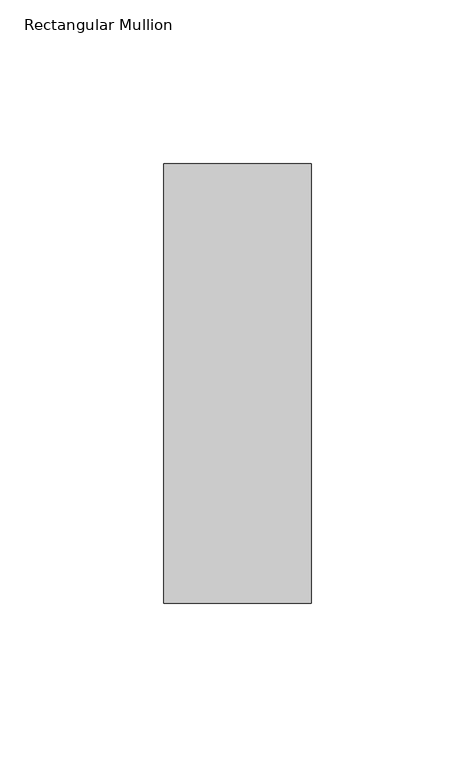
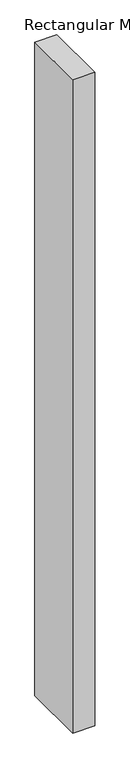
"""IFC4 building model written with IfcOpenShell, lengths in millimetres: member geometry, Rectangular Mullion."""

import ifcopenshell
import ifcopenshell.guid

model = None  # the IFC model being written
_history = None  # IfcOwnerHistory: only IFC2X3 demands one
_inside = {}  # id of a spatial element -> (the spatial element, [elements in it])
_under = {}  # id of a project, library or spatial element -> (it, [spatial elements below it])
_declared = {}  # id of a project -> (the project, [libraries it declares])
_typed = {}  # id of a type object -> (the type object, [elements of that type])
_made_of = {}  # id of a material, layer set ... -> (it, [elements and type objects made of it])


def new_model(schema):
    """Start an empty IFC model of exactly this schema.

    Asked for "IFC4X3", IfcOpenShell would pick the latest addendum, in which some entities
    have other attributes; the version numbers below select the first issue.
    IFC2X3 requires an IfcOwnerHistory on every rooted entity: one is made here for all.
    """
    global model, _history
    if schema == "IFC4X3":
        model = ifcopenshell.file(schema_version=(4, 3, 0, 0))
    else:
        model = ifcopenshell.file(schema=schema)
    _inside.clear()
    _under.clear()
    _declared.clear()
    _typed.clear()
    _made_of.clear()
    _history = None
    if model.schema == "IFC2X3":
        org = make("IfcOrganization", Name="unknown")
        user = make(
            "IfcPersonAndOrganization",
            ThePerson=make("IfcPerson", FamilyName="unknown"),
            TheOrganization=org,
        )
        app = make(
            "IfcApplication",
            ApplicationDeveloper=org,
            Version="unknown",
            ApplicationFullName="unknown",
            ApplicationIdentifier="unknown",
        )
        _history = make(
            "IfcOwnerHistory",
            OwningUser=user,
            OwningApplication=app,
            ChangeAction="ADDED",
            CreationDate=0,
        )
    return model


def make(cls, **values):
    """One entity of the class cls with the attributes given. An attribute that is None is left unset."""
    return model.create_entity(
        cls, **{name: value for name, value in values.items() if value is not None}
    )


def rooted(cls, **values):
    """An entity with a GlobalId (a new one), such as an element, a storey or a relation."""
    return make(cls, GlobalId=ifcopenshell.guid.new(), OwnerHistory=_history, **values)


def si_unit(unit_type, name, prefix=None):
    """IfcSIUnit, for example si_unit("LENGTHUNIT", "METRE", prefix="MILLI")."""
    return make("IfcSIUnit", UnitType=unit_type, Prefix=prefix, Name=name)


def assignment(units):
    """IfcUnitAssignment: the units of a project."""
    return None if units is None else make("IfcUnitAssignment", Units=units)


def point(xyz):
    """IfcCartesianPoint."""
    return None if xyz is None else make("IfcCartesianPoint", Coordinates=xyz)


def direction(xyz):
    """IfcDirection."""
    return None if xyz is None else make("IfcDirection", DirectionRatios=xyz)


def frame(location, z_axis=None, x_axis=None):
    """IfcAxis2Placement3D, a coordinate frame: its origin and axes. An axis left out is left unset."""
    return make(
        "IfcAxis2Placement3D",
        Location=point(location),
        Axis=direction(z_axis),
        RefDirection=direction(x_axis),
    )


def origin():
    """The frame at (0, 0, 0) with its axes left unset."""
    return frame((0.0, 0.0, 0.0))


def place(relative_to, where):
    """IfcLocalPlacement: puts the frame where relative to a parent placement (None: the world)."""
    return make(
        "IfcLocalPlacement", PlacementRelTo=relative_to, RelativePlacement=where
    )


def context(
    kind, dimensions, precision=None, world=None, true_north=None, identifier=None
):
    """IfcGeometricRepresentationContext, for example the 3D "Model" context."""
    return make(
        "IfcGeometricRepresentationContext",
        ContextIdentifier=identifier,
        ContextType=kind,
        CoordinateSpaceDimension=dimensions,
        Precision=precision,
        WorldCoordinateSystem=world,
        TrueNorth=true_north,
    )


def project(units=None, contexts=None):
    """IfcProject with its units and contexts."""
    return rooted(
        "IfcProject",
        Name="project",
        RepresentationContexts=contexts,
        UnitsInContext=assignment(units),
    )


def spatial(cls, under=None, at=None, **own):
    """A site, building, storey or space (cls), placed at a placement, below another one or the project."""
    s = rooted(cls, ObjectPlacement=at, **own)
    if under is not None:
        _under.setdefault(under.id(), (under, []))[1].append(s)
    return s


def polyline(points):
    """IfcPolyline through the points."""
    return make("IfcPolyline", Points=[point(p) for p in points])


def outline(outer, holes=None, kind="AREA"):
    """IfcArbitraryClosedProfileDef: a profile drawn as a closed curve; with holes, ...WithVoids."""
    if holes is None:
        return make("IfcArbitraryClosedProfileDef", ProfileType=kind, OuterCurve=outer)
    return make(
        "IfcArbitraryProfileDefWithVoids",
        ProfileType=kind,
        OuterCurve=outer,
        InnerCurves=holes,
    )


def extrude(swept, where, along, depth):
    """IfcExtrudedAreaSolid: the profile swept, set in the frame where, extruded along a direction by depth."""
    return make(
        "IfcExtrudedAreaSolid",
        SweptArea=swept,
        Position=where,
        ExtrudedDirection=direction(along),
        Depth=depth,
    )


def shape(context_of_items, identifier, shape_type, items):
    """IfcShapeRepresentation: the items that make up one representation, for example the "Body"."""
    return make(
        "IfcShapeRepresentation",
        ContextOfItems=context_of_items,
        RepresentationIdentifier=identifier,
        RepresentationType=shape_type,
        Items=items,
    )


def source(mapping_origin, context_of_items, identifier, shape_type, items):
    """IfcRepresentationMap: a shape defined once, which mapped items show again and again."""
    return make(
        "IfcRepresentationMap",
        MappingOrigin=mapping_origin,
        MappedRepresentation=shape(context_of_items, identifier, shape_type, items),
    )


def transform(
    local_origin,
    x_axis=None,
    y_axis=None,
    z_axis=None,
    scale=None,
    scale2=None,
    scale3=None,
    uniform=True,
):
    """IfcCartesianTransformationOperator3D, or its non-uniform kind. x_axis, y_axis, z_axis: its Axis1, 2, 3."""
    if uniform:
        return make(
            "IfcCartesianTransformationOperator3D",
            Axis1=direction(x_axis),
            Axis2=direction(y_axis),
            LocalOrigin=point(local_origin),
            Scale=scale,
            Axis3=direction(z_axis),
        )
    return make(
        "IfcCartesianTransformationOperator3DnonUniform",
        Axis1=direction(x_axis),
        Axis2=direction(y_axis),
        LocalOrigin=point(local_origin),
        Scale=scale,
        Axis3=direction(z_axis),
        Scale2=scale2,
        Scale3=scale3,
    )


def mapped(mapping_source, mapping_target):
    """IfcMappedItem: shows the shape of a source again, moved by a transform."""
    return make(
        "IfcMappedItem", MappingSource=mapping_source, MappingTarget=mapping_target
    )


def made_of(thing, what):
    """Note that an element or type object is made of a material, layer set ...; save() writes the relation."""
    if what is not None:
        _made_of.setdefault(what.id(), (what, []))[1].append(thing)
    return thing


def element(
    cls,
    number,
    at=None,
    inside=None,
    cuts=None,
    type_object=None,
    material=None,
    context=None,
    identifier="Body",
    shape_type=None,
    held_by="IfcProductDefinitionShape",
    body=None,
    shapes=None,
    **own,
):
    """One element of the class cls, such as IfcWall. Its Tag is "e" and its number.

    at: its placement. inside: the storey or other place that contains it. cuts: it is an
    opening in that element (IfcRelVoidsElement). A single representation is given by context,
    identifier, shape_type and body (its items); several are given by shapes. held_by: the class
    of the entity that holds the representations. save() writes the other relations.
    """
    e = rooted(cls, Tag="e%d" % number, ObjectPlacement=at, **own)
    if body is not None:
        shapes = [shape(context, identifier, shape_type, body)]
    if shapes is not None:
        e.Representation = make(held_by, Representations=shapes)
    if inside is not None:
        _inside.setdefault(inside.id(), (inside, []))[1].append(e)
    if cuts is not None:
        rooted(
            "IfcRelVoidsElement", RelatingBuildingElement=cuts, RelatedOpeningElement=e
        )
    if type_object is not None:
        _typed.setdefault(type_object.id(), (type_object, []))[1].append(e)
    return made_of(e, material)


def aggregate(whole, parts):
    """IfcRelAggregates: a whole, such as a stair, and the parts it consists of."""
    return rooted("IfcRelAggregates", RelatingObject=whole, RelatedObjects=parts)


def save(model, path):
    """Write the relations noted so far, then the file.

    IfcRelAggregates (storeys below a building ...), IfcRelContainedInSpatialStructure (elements
    in a storey), IfcRelDefinesByType, IfcRelAssociatesMaterial and IfcRelDeclares: one each for
    every whole, place, type object, material and project.
    """
    for whole, parts in _under.values():
        aggregate(whole, parts)
    for where, things in _inside.values():
        rooted(
            "IfcRelContainedInSpatialStructure",
            RelatedElements=things,
            RelatingStructure=where,
        )
    for kind, things in _typed.values():
        rooted("IfcRelDefinesByType", RelatedObjects=things, RelatingType=kind)
    for what, things in _made_of.values():
        rooted("IfcRelAssociatesMaterial", RelatedObjects=things, RelatingMaterial=what)
    for by, libraries in _declared.values():
        rooted("IfcRelDeclares", RelatingContext=by, RelatedDefinitions=libraries)
    model.write(path)


def rectangular_mullion_b4947b61(model_context):
    return source(origin(), model_context, "Body", "SweptSolid", [
        extrude(outline(polyline([(22.5, 82.60625), (22.5, -51.60625), (-22.5, -51.60625), (-22.5, 82.60625), (22.5, 82.60625)])), frame((0.0, 0.0, -1416.8930608), z_axis=(0.0, 0.0, 1.0), x_axis=(1.0, 0.0, 0.0)), (0.0, 0.0, 1.0), 1416.8930608),
    ])


if __name__ == "__main__":
    model = new_model("IFC4")
    model_context = context("Model", 3, world=origin())
    ifc_project = project(units=[si_unit("LENGTHUNIT", "METRE", prefix="MILLI")], contexts=[model_context])
    site = spatial("IfcSite", under=ifc_project)
    building = spatial("IfcBuilding", under=site)
    placement = place(None, origin())
    rectangular_mullion_shape = rectangular_mullion_b4947b61(model_context)
    element("IfcMember", 1, ObjectType="Rectangular Mullion", at=placement, inside=building, context=model_context, shape_type="MappedRepresentation", body=[
        mapped(rectangular_mullion_shape, transform((0.0, 0.0, 0.0), x_axis=(1.0, 0.0, 0.0), y_axis=(0.0, 1.0, 0.0), z_axis=(0.0, 0.0, 1.0))),
    ])
    save(model, "model.ifc")
